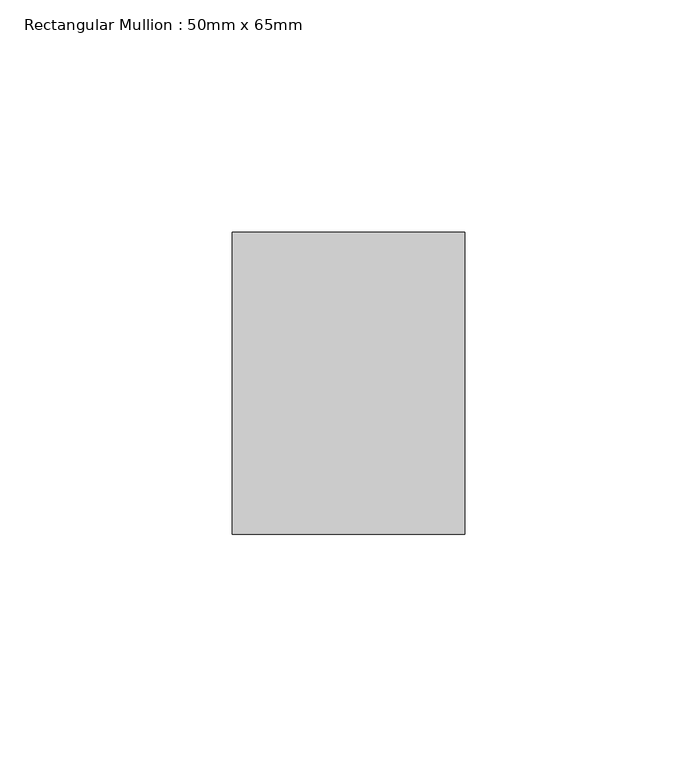
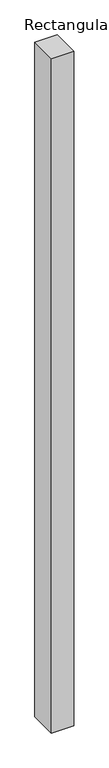
"""IFC4 building model written with IfcOpenShell, lengths in millimetres: member geometry, Rectangular Mullion : 50mm x 65mm."""

from ifc_helpers import new_model, si_unit, frame, origin, place, context, project, spatial, polyline, outline, extrude, source, transform, mapped, element, save


def rectangular_mullion_50mm_x_65mm_596c5413(model_context):
    return source(origin(), model_context, "Body", "SweptSolid", [
        extrude(outline(polyline([(25.0, 32.5), (25.0, -32.5), (-25.0, -32.5), (-25.0, 32.5), (25.0, 32.5)])), frame((0.0, 0.0, -1612.9643441), z_axis=(0.0, 0.0, 1.0), x_axis=(1.0, 0.0, 0.0)), (0.0, 0.0, 1.0), 1612.9643441),
    ])


if __name__ == "__main__":
    model = new_model("IFC4")
    model_context = context("Model", 3, world=origin())
    ifc_project = project(units=[si_unit("LENGTHUNIT", "METRE", prefix="MILLI")], contexts=[model_context])
    site = spatial("IfcSite", under=ifc_project)
    building = spatial("IfcBuilding", under=site)
    placement = place(None, origin())
    rectangular_mullion_50mm_x_65mm_shape = rectangular_mullion_50mm_x_65mm_596c5413(model_context)
    element("IfcMember", 1, ObjectType="Rectangular Mullion : 50mm x 65mm", at=placement, inside=building, context=model_context, shape_type="MappedRepresentation", body=[
        mapped(rectangular_mullion_50mm_x_65mm_shape, transform((0.0, 0.0, 0.0), x_axis=(1.0, 0.0, 0.0), y_axis=(0.0, 1.0, 0.0), z_axis=(0.0, 0.0, 1.0))),
    ])
    save(model, "model.ifc")
